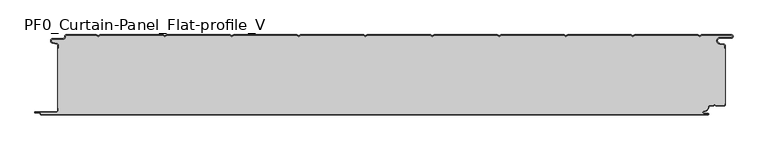
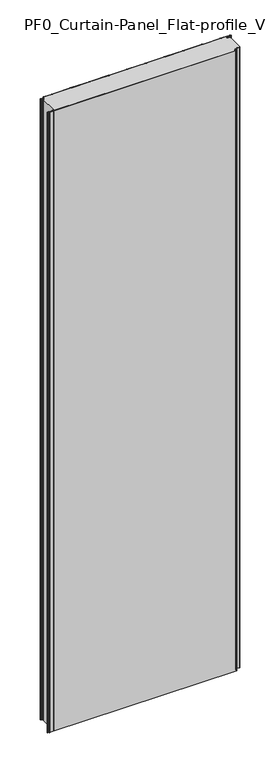
"""IFC4 building model written with IfcOpenShell, lengths in millimetres: plate geometry, PF0_Curtain-Panel_Flat-profile_V."""

from ifc_helpers import new_model, si_unit, point, frame, frame_2d, origin, origin_with_axes, place, context, project, spatial, polyline, circle_curve, trimmed, segment, composite_curve, outline, extrude, source, transform, mapped, element, save
from ifc_brep_helpers import plane_surface, cylinder_surface, revolved_surface, advanced_brep


def pf0_curtain_panel_flat_profile_v_841e0c7b(model_context):
    return source(origin(), model_context, "Body", "SolidModel", [
        advanced_brep(
        [(-500.0, -15.878557, 3500.0), (-500.0, -20.0, 3500.0), (-499.2, -20.0, 3500.0), (-499.2, -15.878557, 3500.0), (-501.370137, -13.1503208, 3500.0), (-507.529863, -11.728236, 3500.0), (-506.9, -6.2, 3500.0), (-491.4, -6.2, 3500.0), (-488.6, -3.4, 3500.0), (-488.6, -2.0, 3500.0), (-487.4, -0.8, 3500.0), (-442.3143588, -0.8, 3500.0), (-439.4, -2.482606, 3500.0), (-436.4856412, -0.8, 3500.0), (-342.3143588, -0.8, 3500.0), (-339.4, -2.482606, 3500.0), (-336.4856412, -0.8, 3500.0), (-242.3143588, -0.8, 3500.0), (-239.4, -2.482606, 3500.0), (-236.4856412, -0.8, 3500.0), (-142.3143588, -0.8, 3500.0), (-139.4, -2.482606, 3500.0), (-136.4856412, -0.8, 3500.0), (-42.3143588, -0.8, 3500.0), (-39.4, -2.482606, 3500.0), (-36.4856412, -0.8, 3500.0), (57.6856412, -0.8, 3500.0), (60.6, -2.482606, 3500.0), (63.5143588, -0.8, 3500.0), (157.6856412, -0.8, 3500.0), (160.6, -2.482606, 3500.0), (163.5143588, -0.8, 3500.0), (257.6856412, -0.8, 3500.0), (260.6, -2.482606, 3500.0), (263.5143588, -0.8, 3500.0), (357.6856412, -0.8, 3500.0), (360.6, -2.482606, 3500.0), (363.5143588, -0.8, 3500.0), (457.6856412, -0.8, 3500.0), (460.6, -2.482606, 3500.0), (463.5143588, -0.8, 3500.0), (508.1, -0.8, 3500.0), (508.1, -4.2, 3500.0), (491.1, -4.2, 3500.0), (490.2664884, -13.7270771, 3500.0), (496.7125669, -14.8636953, 3500.0), (498.2, -16.6363492, 3500.0), (498.2, -20.0, 3500.0), (499.0, -20.0, 3500.0), (499.0, -16.6363492, 3500.0), (496.8514855, -14.0758491, 3500.0), (490.405407, -12.939231, 3500.0), (491.1, -5.0, 3500.0), (508.1, -5.0, 3500.0), (510.6, -2.5, 3500.0), (508.1, 0.0, 3500.0), (463.2999995, 0.0, 3500.0), (460.6, -1.5588455, 3500.0), (457.9000005, 0.0, 3500.0), (363.2999995, 0.0, 3500.0), (360.6, -1.5588455, 3500.0), (357.9000005, 0.0, 3500.0), (263.2999995, 0.0, 3500.0), (260.6, -1.5588455, 3500.0), (257.9000005, 0.0, 3500.0), (163.2999995, 0.0, 3500.0), (160.6, -1.5588455, 3500.0), (157.9000005, 0.0, 3500.0), (63.2999995, 0.0, 3500.0), (60.6, -1.5588455, 3500.0), (57.9000005, 0.0, 3500.0), (-36.7000005, 0.0, 3500.0), (-39.4, -1.5588455, 3500.0), (-42.0999995, 0.0, 3500.0), (-136.7000005, 0.0, 3500.0), (-139.4, -1.5588455, 3500.0), (-142.0999995, 0.0, 3500.0), (-236.7000005, 0.0, 3500.0), (-239.4, -1.5588455, 3500.0), (-242.0999995, 0.0, 3500.0), (-336.7000005, 0.0, 3500.0), (-339.4, -1.5588455, 3500.0), (-342.0999995, 0.0, 3500.0), (-436.7000005, 0.0, 3500.0), (-439.4, -1.5588455, 3500.0), (-442.0999995, 0.0, 3500.0), (-487.4, 0.0, 3500.0), (-489.4, -2.0, 3500.0), (-489.4, -3.4, 3500.0), (-491.4, -5.4, 3500.0), (-506.9, -5.4, 3500.0), (-507.7098239, -12.5077322, 3500.0), (-501.5500979, -13.929817, 3500.0), (-500.0, -15.878557, 0.0), (-501.5500978, -13.9298169, 0.0), (-507.7098239, -12.507732, 0.0), (-506.9, -5.4, 0.0), (-491.4, -5.4, 0.0), (-489.4, -3.4, 0.0), (-489.4, -2.0, 0.0), (-487.4, 0.0, 0.0), (-442.0999995, 0.0, 0.0), (-439.4, -1.5588455, 0.0), (-436.7000005, 0.0, 0.0), (-342.0999995, 0.0, 0.0), (-339.4, -1.5588455, 0.0), (-336.7000005, 0.0, 0.0), (-242.0999995, 0.0, 0.0), (-239.4, -1.5588455, 0.0), (-236.7000005, 0.0, 0.0), (-142.0999995, 0.0, 0.0), (-139.4, -1.5588455, 0.0), (-136.7000005, 0.0, 0.0), (-42.0999995, 0.0, 0.0), (-39.4, -1.5588455, 0.0), (-36.7000005, 0.0, 0.0), (57.9000005, 0.0, 0.0), (60.6, -1.5588455, 0.0), (63.2999995, 0.0, 0.0), (157.9000005, 0.0, 0.0), (160.6, -1.5588455, 0.0), (163.2999995, 0.0, 0.0), (257.9000005, 0.0, 0.0), (260.6, -1.5588455, 0.0), (263.2999995, 0.0, 0.0), (357.9000005, 0.0, 0.0), (360.6, -1.5588455, 0.0), (363.2999995, 0.0, 0.0), (457.9000005, 0.0, 0.0), (460.6, -1.5588455, 0.0), (463.2999995, 0.0, 0.0), (508.1, 0.0, 0.0), (510.6, -2.5, 0.0), (508.1, -5.0, 0.0), (491.1, -5.0, 0.0), (490.405407, -12.939231, 0.0), (496.8514855, -14.0758491, 0.0), (499.0, -16.6363492, 0.0), (499.0, -20.0, 0.0), (498.2, -20.0, 0.0), (498.2, -16.6363492, 0.0), (496.7125669, -14.8636953, 0.0), (490.2664884, -13.7270772, 0.0), (491.1, -4.2, 0.0), (508.1, -4.2, 0.0), (508.1, -0.8, 0.0), (463.5143588, -0.8, 0.0), (460.6, -2.482606, 0.0), (457.6856412, -0.8, 0.0), (363.5143588, -0.8, 0.0), (360.6, -2.482606, 0.0), (357.6856412, -0.8, 0.0), (263.5143588, -0.8, 0.0), (260.6, -2.482606, 0.0), (257.6856412, -0.8, 0.0), (163.5143588, -0.8, 0.0), (160.6, -2.482606, 0.0), (157.6856412, -0.8, 0.0), (63.5143588, -0.8, 0.0), (60.6, -2.482606, 0.0), (57.6856412, -0.8, 0.0), (-36.4856412, -0.8, 0.0), (-39.4, -2.482606, 0.0), (-42.3143588, -0.8, 0.0), (-136.4856412, -0.8, 0.0), (-139.4, -2.482606, 0.0), (-142.3143588, -0.8, 0.0), (-236.4856412, -0.8, 0.0), (-239.4, -2.482606, 0.0), (-242.3143588, -0.8, 0.0), (-336.4856412, -0.8, 0.0), (-339.4, -2.482606, 0.0), (-342.3143588, -0.8, 0.0), (-436.4856412, -0.8, 0.0), (-439.4, -2.482606, 0.0), (-442.3143588, -0.8, 0.0), (-487.4, -0.8, 0.0), (-488.6, -2.0, 0.0), (-488.6, -3.4, 0.0), (-491.4, -6.2, 0.0), (-506.9, -6.2, 0.0), (-507.529863, -11.7282362, 0.0), (-501.370137, -13.150321, 0.0), (-499.2, -15.878557, 0.0), (-499.2, -20.0, 0.0), (-500.0, -20.0, 0.0)],
        [
            (0, 1),
            (1, 2),
            (2, 3),
            (3, 4, circle_curve(frame((-502.0, -15.878557, 3500.0), z_axis=(0.0, 0.0, 1.0), x_axis=(1.0, 0.0, 0.0)), 2.8)),
            (4, 5),
            (5, 6, circle_curve(frame((-506.9, -9.0, 3500.0), z_axis=(0.0, 0.0, -1.0), x_axis=(1.0, 0.0, 0.0)), 2.8)),
            (6, 7),
            (7, 8, circle_curve(frame((-491.4, -3.4, 3500.0), z_axis=(0.0, 0.0, 1.0), x_axis=(1.0, 0.0, 0.0)), 2.8)),
            (8, 9),
            (9, 10, circle_curve(frame((-487.4, -2.0, 3500.0), z_axis=(0.0, 0.0, -1.0), x_axis=(1.0, 0.0, 0.0)), 1.2)),
            (10, 11),
            (11, 12),
            (12, 13),
            (13, 14),
            (14, 15),
            (15, 16),
            (16, 17),
            (17, 18),
            (18, 19),
            (19, 20),
            (20, 21),
            (21, 22),
            (22, 23),
            (23, 24),
            (24, 25),
            (25, 26),
            (26, 27),
            (27, 28),
            (28, 29),
            (29, 30),
            (30, 31),
            (31, 32),
            (32, 33),
            (33, 34),
            (34, 35),
            (35, 36),
            (36, 37),
            (37, 38),
            (38, 39),
            (39, 40),
            (40, 41),
            (41, 42, circle_curve(frame((508.1, -2.5, 3500.0), z_axis=(0.0, 0.0, -1.0), x_axis=(1.0, 0.0, 0.0)), 1.7)),
            (42, 43),
            (43, 44, circle_curve(frame((491.1, -9.0, 3500.0), z_axis=(0.0, 0.0, 1.0), x_axis=(1.0, 0.0, 0.0)), 4.8)),
            (44, 45),
            (45, 46, circle_curve(frame((496.4, -16.6363492, 3500.0), z_axis=(0.0, 0.0, -1.0), x_axis=(1.0, 0.0, 0.0)), 1.8)),
            (46, 47),
            (47, 48),
            (48, 49),
            (49, 50, circle_curve(frame((496.4, -16.6363492, 3500.0), z_axis=(0.0, 0.0, 1.0), x_axis=(1.0, 0.0, 0.0)), 2.6)),
            (50, 51),
            (51, 52, circle_curve(frame((491.1, -9.0, 3500.0), z_axis=(0.0, 0.0, -1.0), x_axis=(1.0, 0.0, 0.0)), 4.0)),
            (52, 53),
            (53, 54, circle_curve(frame((508.1, -2.5, 3500.0), z_axis=(0.0, 0.0, 1.0), x_axis=(1.0, 0.0, 0.0)), 2.5)),
            (54, 55, circle_curve(frame((508.1, -2.5, 3500.0), z_axis=(0.0, 0.0, 1.0), x_axis=(1.0, 0.0, 0.0)), 2.5)),
            (55, 56),
            (56, 57),
            (57, 58),
            (58, 59),
            (59, 60),
            (60, 61),
            (61, 62),
            (62, 63),
            (63, 64),
            (64, 65),
            (65, 66),
            (66, 67),
            (67, 68),
            (68, 69),
            (69, 70),
            (70, 71),
            (71, 72),
            (72, 73),
            (73, 74),
            (74, 75),
            (75, 76),
            (76, 77),
            (77, 78),
            (78, 79),
            (79, 80),
            (80, 81),
            (81, 82),
            (82, 83),
            (83, 84),
            (84, 85),
            (85, 86),
            (86, 87, circle_curve(frame((-487.4, -2.0, 3500.0), z_axis=(0.0, 0.0, 1.0), x_axis=(1.0, 0.0, 0.0)), 2.0)),
            (87, 88),
            (88, 89, circle_curve(frame((-491.4, -3.4, 3500.0), z_axis=(0.0, 0.0, -1.0), x_axis=(1.0, 0.0, 0.0)), 2.0)),
            (89, 90),
            (90, 91, circle_curve(frame((-506.9, -9.0, 3500.0), z_axis=(0.0, 0.0, 1.0), x_axis=(1.0, 0.0, 0.0)), 3.6)),
            (91, 92),
            (92, 0, circle_curve(frame((-502.0, -15.878557, 3500.0), z_axis=(0.0, 0.0, -1.0), x_axis=(1.0, 0.0, 0.0)), 2.0)),
            (93, 94, circle_curve(frame((-502.0, -15.878557, 0.0), z_axis=(0.0, 0.0, 1.0), x_axis=(1.0, 0.0, 0.0)), 2.0)),
            (94, 95),
            (95, 96, circle_curve(frame((-506.9, -9.0, 0.0), z_axis=(0.0, 0.0, -1.0), x_axis=(1.0, 0.0, 0.0)), 3.6)),
            (96, 97),
            (97, 98, circle_curve(frame((-491.4, -3.4, 0.0), z_axis=(0.0, 0.0, 1.0), x_axis=(1.0, 0.0, 0.0)), 2.0)),
            (98, 99),
            (99, 100, circle_curve(frame((-487.4, -2.0, 0.0), z_axis=(0.0, 0.0, -1.0), x_axis=(1.0, 0.0, 0.0)), 2.0)),
            (100, 101),
            (101, 102),
            (102, 103),
            (103, 104),
            (104, 105),
            (105, 106),
            (106, 107),
            (107, 108),
            (108, 109),
            (109, 110),
            (110, 111),
            (111, 112),
            (112, 113),
            (113, 114),
            (114, 115),
            (115, 116),
            (116, 117),
            (117, 118),
            (118, 119),
            (119, 120),
            (120, 121),
            (121, 122),
            (122, 123),
            (123, 124),
            (124, 125),
            (125, 126),
            (126, 127),
            (127, 128),
            (128, 129),
            (129, 130),
            (130, 131),
            (131, 132, circle_curve(frame((508.1, -2.5, 0.0), z_axis=(0.0, 0.0, -1.0), x_axis=(1.0, 0.0, 0.0)), 2.5)),
            (132, 133, circle_curve(frame((508.1, -2.5, 0.0), z_axis=(0.0, 0.0, -1.0), x_axis=(1.0, 0.0, 0.0)), 2.5)),
            (133, 134),
            (134, 135, circle_curve(frame((491.1, -9.0, 0.0), z_axis=(0.0, 0.0, 1.0), x_axis=(1.0, 0.0, 0.0)), 4.0)),
            (135, 136),
            (136, 137, circle_curve(frame((496.4, -16.6363492, 0.0), z_axis=(0.0, 0.0, -1.0), x_axis=(1.0, 0.0, 0.0)), 2.6)),
            (137, 138),
            (138, 139),
            (139, 140),
            (140, 141, circle_curve(frame((496.4, -16.6363492, 0.0), z_axis=(0.0, 0.0, 1.0), x_axis=(1.0, 0.0, 0.0)), 1.8)),
            (141, 142),
            (142, 143, circle_curve(frame((491.1, -9.0, 0.0), z_axis=(0.0, 0.0, -1.0), x_axis=(1.0, 0.0, 0.0)), 4.8)),
            (143, 144),
            (144, 145, circle_curve(frame((508.1, -2.5, 0.0), z_axis=(0.0, 0.0, 1.0), x_axis=(1.0, 0.0, 0.0)), 1.7)),
            (145, 146),
            (146, 147),
            (147, 148),
            (148, 149),
            (149, 150),
            (150, 151),
            (151, 152),
            (152, 153),
            (153, 154),
            (154, 155),
            (155, 156),
            (156, 157),
            (157, 158),
            (158, 159),
            (159, 160),
            (160, 161),
            (161, 162),
            (162, 163),
            (163, 164),
            (164, 165),
            (165, 166),
            (166, 167),
            (167, 168),
            (168, 169),
            (169, 170),
            (170, 171),
            (171, 172),
            (172, 173),
            (173, 174),
            (174, 175),
            (175, 176),
            (176, 177, circle_curve(frame((-487.4, -2.0, 0.0), z_axis=(0.0, 0.0, 1.0), x_axis=(1.0, 0.0, 0.0)), 1.2)),
            (177, 178),
            (178, 179, circle_curve(frame((-491.4, -3.4, 0.0), z_axis=(0.0, 0.0, -1.0), x_axis=(1.0, 0.0, 0.0)), 2.8)),
            (179, 180),
            (180, 181, circle_curve(frame((-506.9, -9.0, 0.0), z_axis=(0.0, 0.0, 1.0), x_axis=(1.0, 0.0, 0.0)), 2.8)),
            (181, 182),
            (182, 183, circle_curve(frame((-502.0, -15.878557, 0.0), z_axis=(0.0, 0.0, -1.0), x_axis=(1.0, 0.0, 0.0)), 2.8)),
            (183, 184),
            (184, 185),
            (185, 93),
            (0, 93),
            (185, 1),
            (184, 2),
            (183, 3),
            (182, 4),
            (181, 5),
            (180, 6),
            (179, 7),
            (178, 8),
            (177, 9),
            (176, 10),
            (175, 11),
            (174, 12),
            (173, 13),
            (172, 14),
            (171, 15),
            (170, 16),
            (169, 17),
            (168, 18),
            (167, 19),
            (166, 20),
            (165, 21),
            (164, 22),
            (163, 23),
            (162, 24),
            (161, 25),
            (160, 26),
            (159, 27),
            (158, 28),
            (157, 29),
            (156, 30),
            (155, 31),
            (154, 32),
            (153, 33),
            (152, 34),
            (151, 35),
            (150, 36),
            (149, 37),
            (148, 38),
            (147, 39),
            (146, 40),
            (145, 41),
            (144, 42),
            (143, 43),
            (142, 44),
            (141, 45),
            (140, 46),
            (139, 47),
            (138, 48),
            (137, 49),
            (136, 50),
            (135, 51),
            (134, 52),
            (133, 53),
            (131, 55),
            (56, 130),
            (129, 57),
            (128, 58),
            (127, 59),
            (126, 60),
            (125, 61),
            (124, 62),
            (123, 63),
            (122, 64),
            (121, 65),
            (120, 66),
            (119, 67),
            (118, 68),
            (117, 69),
            (116, 70),
            (115, 71),
            (114, 72),
            (113, 73),
            (112, 74),
            (111, 75),
            (110, 76),
            (109, 77),
            (108, 78),
            (107, 79),
            (106, 80),
            (105, 81),
            (104, 82),
            (103, 83),
            (102, 84),
            (101, 85),
            (100, 86),
            (99, 87),
            (98, 88),
            (97, 89),
            (96, 90),
            (95, 91),
            (94, 92),
        ],
        [
            plane_surface(frame((-500.0, 0.0, 3500.0), z_axis=(0.0, 0.0, 1.0), x_axis=(0.0, 1.0, 0.0))),
            plane_surface(frame((-500.0, 0.0, 0.0), z_axis=(0.0, 0.0, -1.0), x_axis=(0.0, 1.0, 0.0))),
            plane_surface(frame((-500.0, -15.878557, 3500.0), z_axis=(-1.0, 0.0, 0.0), x_axis=(0.0, 0.0, -1.0))),
            plane_surface(frame((-500.0, -20.0, 3500.0), z_axis=(0.0, -1.0, 0.0), x_axis=(0.0, 0.0, -1.0))),
            plane_surface(frame((-499.2, -20.0, 3500.0), z_axis=(1.0, 0.0, 0.0), x_axis=(0.0, 0.0, -1.0))),
            cylinder_surface(frame((-502.0, -15.878557, 3500.0), z_axis=(0.0, 0.0, 1.0), x_axis=(1.0, 0.0, 0.0)), 2.8),
            plane_surface(frame((-501.370137, -13.150321, 3500.0), z_axis=(0.22495108446242484, 0.9743700578318174, 0.0), x_axis=(0.0, 0.0, -1.0))),
            revolved_surface(polyline([(-504.09999999999997, -9.0, 0.0), (-504.09999999999997, -9.0, 3500.0)]), (-506.9, -9.0, 3500.0), (0.0, 0.0, -1.0)),
            plane_surface(frame((-506.9, -6.2, 3500.0), z_axis=(0.0, -1.0, 0.0), x_axis=(0.0, 0.0, -1.0))),
            cylinder_surface(frame((-491.4, -3.4, 3500.0), z_axis=(0.0, 0.0, 1.0), x_axis=(1.0, 0.0, 0.0)), 2.8),
            plane_surface(frame((-488.6, -3.4, 3500.0), z_axis=(1.0, 0.0, 0.0), x_axis=(0.0, 0.0, -1.0))),
            revolved_surface(polyline([(-486.2, -2.0, 0.0), (-486.2, -2.0, 3500.0)]), (-487.4, -2.0, 3500.0), (0.0, 0.0, -1.0)),
            plane_surface(frame((-487.4, -0.8, 3500.0), z_axis=(0.0, -1.0, 0.0), x_axis=(0.0, 0.0, -1.0))),
            plane_surface(frame((-442.3143588, -0.8, 3500.0), z_axis=(-0.5000000299313342, -0.8660253865035741, 0.0), x_axis=(0.0, 0.0, -1.0))),
            plane_surface(frame((-439.4, -2.482606, 3500.0), z_axis=(0.5000000299313233, -0.8660253865035805, 0.0), x_axis=(0.0, 0.0, -1.0))),
            plane_surface(frame((-436.4856412, -0.8, 3500.0), z_axis=(0.0, -1.0, 0.0), x_axis=(0.0, 0.0, -1.0))),
            plane_surface(frame((-342.3143588, -0.8, 3500.0), z_axis=(-0.5000000299313346, -0.8660253865035739, 0.0), x_axis=(0.0, 0.0, -1.0))),
            plane_surface(frame((-339.4, -2.482606, 3500.0), z_axis=(0.5000000299313251, -0.8660253865035794, 0.0), x_axis=(0.0, 0.0, -1.0))),
            plane_surface(frame((-336.4856412, -0.8, 3500.0), z_axis=(0.0, -1.0, 0.0), x_axis=(0.0, 0.0, -1.0))),
            plane_surface(frame((-242.3143588, -0.8, 3500.0), z_axis=(-0.5000000299313346, -0.866025386503574, 0.0), x_axis=(0.0, 0.0, -1.0))),
            plane_surface(frame((-239.4, -2.482606, 3500.0), z_axis=(0.5000000299313251, -0.8660253865035794, 0.0), x_axis=(0.0, 0.0, -1.0))),
            plane_surface(frame((-236.4856412, -0.8, 3500.0), z_axis=(0.0, -1.0, 0.0), x_axis=(0.0, 0.0, -1.0))),
            plane_surface(frame((-142.3143588, -0.8, 3500.0), z_axis=(-0.5000000299313349, -0.8660253865035739, 0.0), x_axis=(0.0, 0.0, -1.0))),
            plane_surface(frame((-139.4, -2.482606, 3500.0), z_axis=(0.5000000299313233, -0.8660253865035805, 0.0), x_axis=(0.0, 0.0, -1.0))),
            plane_surface(frame((-136.4856412, -0.8, 3500.0), z_axis=(0.0, -1.0, 0.0), x_axis=(0.0, 0.0, -1.0))),
            plane_surface(frame((-42.3143588, -0.8, 3500.0), z_axis=(-0.5000000299313346, -0.866025386503574, 0.0), x_axis=(0.0, 0.0, -1.0))),
            plane_surface(frame((-39.4, -2.482606, 3500.0), z_axis=(0.5000000299313239, -0.8660253865035802, 0.0), x_axis=(0.0, 0.0, -1.0))),
            plane_surface(frame((-36.4856412, -0.8, 3500.0), z_axis=(0.0, -1.0, 0.0), x_axis=(0.0, 0.0, -1.0))),
            plane_surface(frame((57.6856412, -0.8, 3500.0), z_axis=(-0.5000000299313347, -0.8660253865035739, 0.0), x_axis=(0.0, 0.0, -1.0))),
            plane_surface(frame((60.6, -2.482606, 3500.0), z_axis=(0.5000000299313232, -0.8660253865035805, 0.0), x_axis=(0.0, 0.0, -1.0))),
            plane_surface(frame((63.5143588, -0.8, 3500.0), z_axis=(0.0, -1.0, 0.0), x_axis=(0.0, 0.0, -1.0))),
            plane_surface(frame((157.6856412, -0.8, 3500.0), z_axis=(-0.5000000299313346, -0.866025386503574, 0.0), x_axis=(0.0, 0.0, -1.0))),
            plane_surface(frame((160.6, -2.482606, 3500.0), z_axis=(0.5000000299313262, -0.8660253865035787, 0.0), x_axis=(0.0, 0.0, -1.0))),
            plane_surface(frame((163.5143588, -0.8, 3500.0), z_axis=(0.0, -1.0, 0.0), x_axis=(0.0, 0.0, -1.0))),
            plane_surface(frame((257.6856412, -0.8, 3500.0), z_axis=(-0.5000000299313346, -0.8660253865035739, 0.0), x_axis=(0.0, 0.0, -1.0))),
            plane_surface(frame((260.6, -2.482606, 3500.0), z_axis=(0.5000000299313263, -0.8660253865035787, 0.0), x_axis=(0.0, 0.0, -1.0))),
            plane_surface(frame((263.5143588, -0.8, 3500.0), z_axis=(0.0, -1.0, 0.0), x_axis=(0.0, 0.0, -1.0))),
            plane_surface(frame((357.6856412, -0.8, 3500.0), z_axis=(-0.5000000299313346, -0.8660253865035739, 0.0), x_axis=(0.0, 0.0, -1.0))),
            plane_surface(frame((360.6, -2.482606, 3500.0), z_axis=(0.5000000299313255, -0.8660253865035792, 0.0), x_axis=(0.0, 0.0, -1.0))),
            plane_surface(frame((363.5143588, -0.8, 3500.0), z_axis=(0.0, -1.0, 0.0), x_axis=(0.0, 0.0, -1.0))),
            plane_surface(frame((457.6856412, -0.8, 3500.0), z_axis=(-0.5000000299313347, -0.8660253865035739, 0.0), x_axis=(0.0, 0.0, -1.0))),
            plane_surface(frame((460.6, -2.482606, 3500.0), z_axis=(0.5000000299313263, -0.8660253865035787, 0.0), x_axis=(0.0, 0.0, -1.0))),
            plane_surface(frame((463.5143588, -0.8, 3500.0), z_axis=(0.0, -1.0, 0.0), x_axis=(0.0, 0.0, -1.0))),
            revolved_surface(polyline([(509.8, -2.5, 0.0), (509.8, -2.5, 3500.0)]), (508.1, -2.5, 3500.0), (0.0, 0.0, -1.0)),
            plane_surface(frame((508.1, -4.2, 3500.0), z_axis=(0.0, 1.0, 0.0), x_axis=(0.0, 0.0, -1.0))),
            cylinder_surface(frame((491.1, -9.0, 3500.0), z_axis=(0.0, 0.0, 1.0), x_axis=(1.0, 0.0, 0.0)), 4.8),
            plane_surface(frame((490.2664884, -13.7270772, 3500.0), z_axis=(-0.17364825602592485, -0.9848077391954, 0.0), x_axis=(0.0, 0.0, -1.0))),
            revolved_surface(polyline([(498.2, -16.6363492, 0.0), (498.2, -16.6363492, 3500.0)]), (496.4, -16.6363492, 3500.0), (0.0, 0.0, -1.0)),
            plane_surface(frame((498.2, -16.6363492, 3500.0), z_axis=(-1.0, 0.0, 0.0), x_axis=(0.0, 0.0, -1.0))),
            plane_surface(frame((498.2, -20.0, 3500.0), z_axis=(0.0, -1.0, 0.0), x_axis=(0.0, 0.0, -1.0))),
            plane_surface(frame((499.0, -20.0, 3500.0), z_axis=(1.0, 0.0, 0.0), x_axis=(0.0, 0.0, -1.0))),
            cylinder_surface(frame((496.4, -16.6363492, 3500.0), z_axis=(0.0, 0.0, 1.0), x_axis=(1.0, 0.0, 0.0)), 2.6),
            plane_surface(frame((496.8514855, -14.0758491, 3500.0), z_axis=(0.1736482560259256, 0.9848077391953998, 0.0), x_axis=(0.0, 0.0, -1.0))),
            revolved_surface(polyline([(495.1, -9.0, 0.0), (495.1, -9.0, 3500.0)]), (491.1, -9.0, 3500.0), (0.0, 0.0, -1.0)),
            plane_surface(frame((491.1, -5.0, 3500.0), z_axis=(0.0, -1.0, 0.0), x_axis=(0.0, 0.0, -1.0))),
            cylinder_surface(frame((508.1, -2.5, 3500.0), z_axis=(0.0, 0.0, 1.0), x_axis=(1.0, 0.0, 0.0)), 2.5),
            plane_surface(frame((463.2999995, 0.0, 3500.0), z_axis=(-0.5000000299313235, 0.8660253865035803, 0.0), x_axis=(0.0, 0.0, -1.0))),
            plane_surface(frame((460.6, -1.5588455, 3500.0), z_axis=(0.5000000299313346, 0.8660253865035739, 0.0), x_axis=(0.0, 0.0, -1.0))),
            plane_surface(frame((457.9000005, 0.0, 3500.0), z_axis=(0.0, 1.0, 0.0), x_axis=(0.0, 0.0, -1.0))),
            plane_surface(frame((363.2999995, 0.0, 3500.0), z_axis=(-0.5000000299313235, 0.8660253865035803, 0.0), x_axis=(0.0, 0.0, -1.0))),
            plane_surface(frame((360.6, -1.5588455, 3500.0), z_axis=(0.5000000299313346, 0.8660253865035739, 0.0), x_axis=(0.0, 0.0, -1.0))),
            plane_surface(frame((357.9000005, 0.0, 3500.0), z_axis=(0.0, 1.0, 0.0), x_axis=(0.0, 0.0, -1.0))),
            plane_surface(frame((263.2999995, 0.0, 3500.0), z_axis=(-0.5000000299313235, 0.8660253865035803, 0.0), x_axis=(0.0, 0.0, -1.0))),
            plane_surface(frame((260.6, -1.5588455, 3500.0), z_axis=(0.5000000299313346, 0.8660253865035739, 0.0), x_axis=(0.0, 0.0, -1.0))),
            plane_surface(frame((257.9000005, 0.0, 3500.0), z_axis=(0.0, 1.0, 0.0), x_axis=(0.0, 0.0, -1.0))),
            plane_surface(frame((163.2999995, 0.0, 3500.0), z_axis=(-0.5000000299313235, 0.8660253865035803, 0.0), x_axis=(0.0, 0.0, -1.0))),
            plane_surface(frame((160.6, -1.5588455, 3500.0), z_axis=(0.5000000299313346, 0.8660253865035739, 0.0), x_axis=(0.0, 0.0, -1.0))),
            plane_surface(frame((157.9000005, 0.0, 3500.0), z_axis=(0.0, 1.0, 0.0), x_axis=(0.0, 0.0, -1.0))),
            plane_surface(frame((63.2999995, 0.0, 3500.0), z_axis=(-0.5000000299313235, 0.8660253865035803, 0.0), x_axis=(0.0, 0.0, -1.0))),
            plane_surface(frame((60.6, -1.5588455, 3500.0), z_axis=(0.5000000299313346, 0.8660253865035739, 0.0), x_axis=(0.0, 0.0, -1.0))),
            plane_surface(frame((57.9000005, 0.0, 3500.0), z_axis=(0.0, 1.0, 0.0), x_axis=(0.0, 0.0, -1.0))),
            plane_surface(frame((-36.7000005, 0.0, 3500.0), z_axis=(-0.5000000299313235, 0.8660253865035803, 0.0), x_axis=(0.0, 0.0, -1.0))),
            plane_surface(frame((-39.4, -1.5588455, 3500.0), z_axis=(0.5000000299313346, 0.8660253865035739, 0.0), x_axis=(0.0, 0.0, -1.0))),
            plane_surface(frame((-42.0999995, 0.0, 3500.0), z_axis=(0.0, 1.0, 0.0), x_axis=(0.0, 0.0, -1.0))),
            plane_surface(frame((-136.7000005, 0.0, 3500.0), z_axis=(-0.5000000299313235, 0.8660253865035803, 0.0), x_axis=(0.0, 0.0, -1.0))),
            plane_surface(frame((-139.4, -1.5588455, 3500.0), z_axis=(0.5000000299313346, 0.8660253865035739, 0.0), x_axis=(0.0, 0.0, -1.0))),
            plane_surface(frame((-142.0999995, 0.0, 3500.0), z_axis=(0.0, 1.0, 0.0), x_axis=(0.0, 0.0, -1.0))),
            plane_surface(frame((-236.7000005, 0.0, 3500.0), z_axis=(-0.5000000299313235, 0.8660253865035803, 0.0), x_axis=(0.0, 0.0, -1.0))),
            plane_surface(frame((-239.4, -1.5588455, 3500.0), z_axis=(0.5000000299313346, 0.8660253865035739, 0.0), x_axis=(0.0, 0.0, -1.0))),
            plane_surface(frame((-242.0999995, 0.0, 3500.0), z_axis=(0.0, 1.0, 0.0), x_axis=(0.0, 0.0, -1.0))),
            plane_surface(frame((-336.7000005, 0.0, 3500.0), z_axis=(-0.5000000299313235, 0.8660253865035803, 0.0), x_axis=(0.0, 0.0, -1.0))),
            plane_surface(frame((-339.4, -1.5588455, 3500.0), z_axis=(0.5000000299313346, 0.8660253865035739, 0.0), x_axis=(0.0, 0.0, -1.0))),
            plane_surface(frame((-342.0999995, 0.0, 3500.0), z_axis=(0.0, 1.0, 0.0), x_axis=(0.0, 0.0, -1.0))),
            plane_surface(frame((-436.7000005, 0.0, 3500.0), z_axis=(-0.5000000299313235, 0.8660253865035803, 0.0), x_axis=(0.0, 0.0, -1.0))),
            plane_surface(frame((-439.4, -1.5588455, 3500.0), z_axis=(0.5000000299313346, 0.8660253865035739, 0.0), x_axis=(0.0, 0.0, -1.0))),
            plane_surface(frame((-442.0999995, 0.0, 3500.0), z_axis=(0.0, 1.0, 0.0), x_axis=(0.0, 0.0, -1.0))),
            cylinder_surface(frame((-487.4, -2.0, 3500.0), z_axis=(0.0, 0.0, 1.0), x_axis=(1.0, 0.0, 0.0)), 2.0),
            plane_surface(frame((-489.4, -2.0, 3500.0), z_axis=(-1.0, 0.0, 0.0), x_axis=(0.0, 0.0, -1.0))),
            revolved_surface(polyline([(-489.4, -3.4, 0.0), (-489.4, -3.4, 3500.0)]), (-491.4, -3.4, 3500.0), (0.0, 0.0, -1.0)),
            plane_surface(frame((-491.4, -5.4, 3500.0), z_axis=(0.0, 1.0, 0.0), x_axis=(0.0, 0.0, -1.0))),
            cylinder_surface(frame((-506.9, -9.0, 3500.0), z_axis=(0.0, 0.0, 1.0), x_axis=(1.0, 0.0, 0.0)), 3.6),
            plane_surface(frame((-507.7098239, -12.507732, 3500.0), z_axis=(-0.22495108446242487, -0.9743700578318174, 0.0), x_axis=(0.0, 0.0, -1.0))),
            revolved_surface(polyline([(-500.0, -15.878557, 0.0), (-500.0, -15.878557, 3500.0)]), (-502.0, -15.878557, 3500.0), (0.0, 0.0, -1.0)),
            plane_surface(frame((508.1, 0.0, 3500.0), z_axis=(0.0, 1.0, 0.0), x_axis=(0.0, 0.0, -1.0))),
        ],
        [
            (0, [[1, 2, 3, 4, 5, 6, 7, 8, 9, 10, 11, 12, 13, 14, 15, 16, 17, 18, 19, 20, 21, 22, 23, 24, 25, 26, 27, 28, 29, 30, 31, 32, 33, 34, 35, 36, 37, 38, 39, 40, 41, 42, 43, 44, 45, 46, 47, 48, 49, 50, 51, 52, 53, 54, 55, 56, 57, 58, 59, 60, 61, 62, 63, 64, 65, 66, 67, 68, 69, 70, 71, 72, 73, 74, 75, 76, 77, 78, 79, 80, 81, 82, 83, 84, 85, 86, 87, 88, 89, 90, 91, 92, 93]]),
            (1, [[94, 95, 96, 97, 98, 99, 100, 101, 102, 103, 104, 105, 106, 107, 108, 109, 110, 111, 112, 113, 114, 115, 116, 117, 118, 119, 120, 121, 122, 123, 124, 125, 126, 127, 128, 129, 130, 131, 132, 133, 134, 135, 136, 137, 138, 139, 140, 141, 142, 143, 144, 145, 146, 147, 148, 149, 150, 151, 152, 153, 154, 155, 156, 157, 158, 159, 160, 161, 162, 163, 164, 165, 166, 167, 168, 169, 170, 171, 172, 173, 174, 175, 176, 177, 178, 179, 180, 181, 182, 183, 184, 185, 186]]),
            (2, [[-1, 187, -186, 188]]),
            (3, [[-2, -188, -185, 189]]),
            (4, [[-3, -189, -184, 190]]),
            (5, [[-4, -190, -183, 191]]),
            (6, [[-5, -191, -182, 192]]),
            (7, [[-6, -192, -181, 193]]),
            (8, [[-7, -193, -180, 194]]),
            (9, [[-8, -194, -179, 195]]),
            (10, [[-9, -195, -178, 196]]),
            (11, [[-10, -196, -177, 197]]),
            (12, [[-11, -197, -176, 198]]),
            (13, [[-12, -198, -175, 199]]),
            (14, [[-13, -199, -174, 200]]),
            (15, [[-14, -200, -173, 201]]),
            (16, [[-15, -201, -172, 202]]),
            (17, [[-16, -202, -171, 203]]),
            (18, [[-17, -203, -170, 204]]),
            (19, [[-18, -204, -169, 205]]),
            (20, [[-19, -205, -168, 206]]),
            (21, [[-20, -206, -167, 207]]),
            (22, [[-21, -207, -166, 208]]),
            (23, [[-22, -208, -165, 209]]),
            (24, [[-23, -209, -164, 210]]),
            (25, [[-24, -210, -163, 211]]),
            (26, [[-25, -211, -162, 212]]),
            (27, [[-26, -212, -161, 213]]),
            (28, [[-27, -213, -160, 214]]),
            (29, [[-28, -214, -159, 215]]),
            (30, [[-29, -215, -158, 216]]),
            (31, [[-30, -216, -157, 217]]),
            (32, [[-31, -217, -156, 218]]),
            (33, [[-32, -218, -155, 219]]),
            (34, [[-33, -219, -154, 220]]),
            (35, [[-34, -220, -153, 221]]),
            (36, [[-35, -221, -152, 222]]),
            (37, [[-36, -222, -151, 223]]),
            (38, [[-37, -223, -150, 224]]),
            (39, [[-38, -224, -149, 225]]),
            (40, [[-39, -225, -148, 226]]),
            (41, [[-40, -226, -147, 227]]),
            (42, [[-41, -227, -146, 228]]),
            (43, [[-42, -228, -145, 229]]),
            (44, [[-43, -229, -144, 230]]),
            (45, [[-44, -230, -143, 231]]),
            (46, [[-45, -231, -142, 232]]),
            (47, [[-46, -232, -141, 233]]),
            (48, [[-47, -233, -140, 234]]),
            (49, [[-48, -234, -139, 235]]),
            (50, [[-49, -235, -138, 236]]),
            (51, [[-50, -236, -137, 237]]),
            (52, [[-51, -237, -136, 238]]),
            (53, [[-52, -238, -135, 239]]),
            (54, [[-53, -239, -134, 240]]),
            (55, [[-240, -133, -132, 241, -55, -54]]),
            (56, [[-57, 242, -130, 243]]),
            (57, [[-58, -243, -129, 244]]),
            (58, [[-59, -244, -128, 245]]),
            (59, [[-60, -245, -127, 246]]),
            (60, [[-61, -246, -126, 247]]),
            (61, [[-62, -247, -125, 248]]),
            (62, [[-63, -248, -124, 249]]),
            (63, [[-64, -249, -123, 250]]),
            (64, [[-65, -250, -122, 251]]),
            (65, [[-66, -251, -121, 252]]),
            (66, [[-67, -252, -120, 253]]),
            (67, [[-68, -253, -119, 254]]),
            (68, [[-69, -254, -118, 255]]),
            (69, [[-70, -255, -117, 256]]),
            (70, [[-71, -256, -116, 257]]),
            (71, [[-72, -257, -115, 258]]),
            (72, [[-73, -258, -114, 259]]),
            (73, [[-74, -259, -113, 260]]),
            (74, [[-75, -260, -112, 261]]),
            (75, [[-76, -261, -111, 262]]),
            (76, [[-77, -262, -110, 263]]),
            (77, [[-78, -263, -109, 264]]),
            (78, [[-79, -264, -108, 265]]),
            (79, [[-80, -265, -107, 266]]),
            (80, [[-81, -266, -106, 267]]),
            (81, [[-82, -267, -105, 268]]),
            (82, [[-83, -268, -104, 269]]),
            (83, [[-84, -269, -103, 270]]),
            (84, [[-85, -270, -102, 271]]),
            (85, [[-86, -271, -101, 272]]),
            (86, [[-87, -272, -100, 273]]),
            (87, [[-88, -273, -99, 274]]),
            (88, [[-89, -274, -98, 275]]),
            (89, [[-90, -275, -97, 276]]),
            (90, [[-91, -276, -96, 277]]),
            (91, [[-92, -277, -95, 278]]),
            (92, [[-93, -278, -94, -187]]),
            (93, [[-56, -241, -131, -242]]),
        ],
    ),
        extrude(outline(composite_curve([segment(polyline([(-499.2, -110.0), (-500.0, -110.0), (-500.0, -20.0), (-499.2, -20.0), (-499.2, -15.878557)]), True, "CONTINUOUS"), segment(trimmed(circle_curve(frame_2d((-502.0, -15.878557)), 2.8), [point((-499.2, -15.878557))], [point((-501.370137, -13.1503208))], True, "CARTESIAN"), True, "CONTINUOUS"), segment(polyline([(-501.370137, -13.1503208), (-507.529863, -11.7282362)]), True, "CONTINUOUS"), segment(trimmed(circle_curve(frame_2d((-506.9, -9.0)), 2.8), [point((-507.529863, -11.7282362))], [point((-506.9, -6.2))], False, "CARTESIAN"), True, "CONTINUOUS"), segment(polyline([(-506.9, -6.2), (-491.4, -6.2)]), True, "CONTINUOUS"), segment(trimmed(circle_curve(frame_2d((-491.4, -3.4)), 2.8), [point((-491.4, -6.2))], [point((-488.6, -3.4))], True, "CARTESIAN"), True, "CONTINUOUS"), segment(polyline([(-488.6, -3.4), (-488.6, -2.0)]), True, "CONTINUOUS"), segment(trimmed(circle_curve(frame_2d((-487.4, -2.0)), 1.2), [point((-488.6, -2.0))], [point((-487.4, -0.8))], False, "CARTESIAN"), True, "CONTINUOUS"), segment(polyline([(-487.4, -0.8), (-442.3143588, -0.8), (-439.4, -2.482606), (-436.4856412, -0.8), (-342.3143588, -0.8), (-339.4, -2.482606), (-336.4856412, -0.8), (-242.3143588, -0.8), (-239.4, -2.482606), (-236.4856412, -0.8), (-142.3143588, -0.8), (-139.4, -2.482606), (-136.4856412, -0.8), (-42.3143588, -0.8), (-39.4, -2.482606), (-36.4856412, -0.8), (57.6856412, -0.8), (60.6, -2.482606), (63.5143588, -0.8), (157.6856412, -0.8), (160.6, -2.482606), (163.5143588, -0.8), (257.6856412, -0.8), (260.6, -2.482606), (263.5143588, -0.8), (357.6856412, -0.8), (360.6, -2.482606), (363.5143588, -0.8), (457.6856412, -0.8), (460.6, -2.482606), (463.5143588, -0.8), (508.1, -0.8)]), True, "CONTINUOUS"), segment(trimmed(circle_curve(frame_2d((508.1, -2.5)), 1.7), [point((508.1, -0.8))], [point((508.1, -4.2))], False, "CARTESIAN"), True, "CONTINUOUS"), segment(polyline([(508.1, -4.2), (491.1, -4.2)]), True, "CONTINUOUS"), segment(trimmed(circle_curve(frame_2d((491.1, -9.0)), 4.8), [point((491.1, -4.2))], [point((490.2664884, -13.7270772))], True, "CARTESIAN"), True, "CONTINUOUS"), segment(polyline([(490.2664884, -13.7270772), (496.7125669, -14.8636953)]), True, "CONTINUOUS"), segment(trimmed(circle_curve(frame_2d((496.4, -16.6363492)), 1.8), [point((496.7125669, -14.8636953))], [point((498.2, -16.6363492))], False, "CARTESIAN"), True, "CONTINUOUS"), segment(polyline([(498.2, -16.6363492), (498.2, -20.0), (499.0, -20.0), (499.0, -103.0), (498.2, -103.0), (498.2, -104.4)]), True, "CONTINUOUS"), segment(trimmed(circle_curve(frame_2d((496.4, -104.4)), 1.8), [point((498.2, -104.4))], [point((496.4, -106.2))], False, "CARTESIAN"), True, "CONTINUOUS"), segment(polyline([(496.4, -106.2), (484.8313698, -106.2), (483.0, -104.3686285), (481.1686302, -106.2), (475.0, -106.2)]), True, "CONTINUOUS"), segment(trimmed(circle_curve(frame_2d((475.0, -108.0)), 1.8), [point((475.0, -106.2))], [point((473.2, -108.0))], True, "CARTESIAN"), True, "CONTINUOUS"), segment(polyline([(473.2, -108.0), (473.2, -108.8276204)]), True, "CONTINUOUS"), segment(trimmed(circle_curve(frame_2d((467.8276204, -108.8276204)), 5.3723796), [point((473.2, -108.8276204))], [point((467.8276204, -114.2))], False, "CARTESIAN"), True, "CONTINUOUS"), segment(polyline([(467.8276204, -114.2), (467.0, -114.2)]), True, "CONTINUOUS"), segment(trimmed(circle_curve(frame_2d((467.0, -116.4)), 2.2), [point((467.0, -114.2))], [point((467.0, -118.6))], True, "CARTESIAN"), True, "CONTINUOUS"), segment(polyline([(467.0, -118.6), (472.8891513, -118.6)]), True, "CONTINUOUS"), segment(trimmed(circle_curve(frame_2d((472.8891513, -118.9)), 0.3), [point((472.8891513, -118.6))], [point((472.8891513, -119.2))], False, "CARTESIAN"), True, "CONTINUOUS"), segment(polyline([(472.8891513, -119.2), (-524.4, -119.2)]), True, "CONTINUOUS"), segment(trimmed(circle_curve(frame_2d((-524.4, -118.4)), 0.8), [point((-524.4, -119.2))], [point((-525.2, -118.4))], False, "CARTESIAN"), True, "CONTINUOUS"), segment(trimmed(circle_curve(frame_2d((-526.9, -118.6133333)), 1.7133333), [point((-525.2, -118.4))], [point((-526.9, -116.9))], True, "CARTESIAN"), True, "CONTINUOUS"), segment(polyline([(-526.9, -116.9), (-532.8700312, -116.9)]), True, "CONTINUOUS"), segment(trimmed(circle_curve(frame_2d((-532.8700312, -116.6)), 0.3), [point((-532.8700312, -116.9))], [point((-532.8700312, -116.3))], False, "CARTESIAN"), True, "CONTINUOUS"), segment(polyline([(-532.8700312, -116.3), (-502.0, -116.3)]), True, "CONTINUOUS"), segment(trimmed(circle_curve(frame_2d((-502.0, -113.5)), 2.8), [point((-502.0, -116.3))], [point((-499.2, -113.5))], True, "CARTESIAN"), True, "CONTINUOUS"), segment(polyline([(-499.2, -113.5), (-499.2, -110.0)]), True, "CONTINUOUS")], self_intersect=False)), origin_with_axes(), (0.0, 0.0, 1.0), 3500.0),
        extrude(outline(composite_curve([segment(polyline([(-500.0, -110.0), (-499.2, -110.0), (-499.2, -113.5)]), True, "CONTINUOUS"), segment(trimmed(circle_curve(frame_2d((-502.0, -113.5)), 2.8), [point((-499.2, -113.5))], [point((-502.0, -116.3))], False, "CARTESIAN"), True, "CONTINUOUS"), segment(polyline([(-502.0, -116.3), (-532.8700312, -116.3)]), True, "CONTINUOUS"), segment(trimmed(circle_curve(frame_2d((-532.8700312, -116.6)), 0.3), [point((-532.8700312, -116.3))], [point((-532.8700312, -116.9))], True, "CARTESIAN"), True, "CONTINUOUS"), segment(polyline([(-532.8700312, -116.9), (-526.9, -116.9)]), True, "CONTINUOUS"), segment(trimmed(circle_curve(frame_2d((-526.9, -118.6133333)), 1.7133333), [point((-526.9, -116.9))], [point((-525.2, -118.4))], False, "CARTESIAN"), True, "CONTINUOUS"), segment(trimmed(circle_curve(frame_2d((-524.4, -118.4)), 0.8), [point((-525.2, -118.4))], [point((-524.4, -119.2))], True, "CARTESIAN"), True, "CONTINUOUS"), segment(polyline([(-524.4, -119.2), (472.8891513, -119.2)]), True, "CONTINUOUS"), segment(trimmed(circle_curve(frame_2d((472.8891513, -118.9)), 0.3), [point((472.8891513, -119.2))], [point((472.8891513, -118.6))], True, "CARTESIAN"), True, "CONTINUOUS"), segment(polyline([(472.8891513, -118.6), (467.0, -118.6)]), True, "CONTINUOUS"), segment(trimmed(circle_curve(frame_2d((467.0, -116.4)), 2.2), [point((467.0, -118.6))], [point((467.0, -114.2))], False, "CARTESIAN"), True, "CONTINUOUS"), segment(polyline([(467.0, -114.2), (467.8276204, -114.2)]), True, "CONTINUOUS"), segment(trimmed(circle_curve(frame_2d((467.8276204, -108.8276204)), 5.3723796), [point((467.8276204, -114.2))], [point((473.2, -108.8276204))], True, "CARTESIAN"), True, "CONTINUOUS"), segment(polyline([(473.2, -108.8276204), (473.2, -108.0)]), True, "CONTINUOUS"), segment(trimmed(circle_curve(frame_2d((475.0, -108.0)), 1.8), [point((473.2, -108.0))], [point((475.0, -106.2))], False, "CARTESIAN"), True, "CONTINUOUS"), segment(polyline([(475.0, -106.2), (481.1686302, -106.2), (483.0, -104.3686285), (484.8313698, -106.2), (496.4, -106.2)]), True, "CONTINUOUS"), segment(trimmed(circle_curve(frame_2d((496.4, -104.4)), 1.8), [point((496.4, -106.2))], [point((498.2, -104.4))], True, "CARTESIAN"), True, "CONTINUOUS"), segment(polyline([(498.2, -104.4), (498.2, -103.0), (499.0, -103.0), (499.0, -104.4)]), True, "CONTINUOUS"), segment(trimmed(circle_curve(frame_2d((496.4, -104.4)), 2.6), [point((499.0, -104.4))], [point((496.4, -107.0))], False, "CARTESIAN"), True, "CONTINUOUS"), segment(polyline([(496.4, -107.0), (484.4999988, -107.0), (483.0, -105.4999999), (481.5000012, -107.0), (475.0, -107.0)]), True, "CONTINUOUS"), segment(trimmed(circle_curve(frame_2d((475.0, -108.0)), 1.0), [point((475.0, -107.0))], [point((474.0, -108.0))], True, "CARTESIAN"), True, "CONTINUOUS"), segment(polyline([(474.0, -108.0), (474.0, -108.8276204)]), True, "CONTINUOUS"), segment(trimmed(circle_curve(frame_2d((467.8276204, -108.8276204)), 6.1723796), [point((474.0, -108.8276204))], [point((467.8276204, -115.0))], False, "CARTESIAN"), True, "CONTINUOUS"), segment(polyline([(467.8276204, -115.0), (467.0, -115.0)]), True, "CONTINUOUS"), segment(trimmed(circle_curve(frame_2d((467.0, -116.5)), 1.5), [point((467.0, -115.0))], [point((467.0, -118.0))], True, "CARTESIAN"), True, "CONTINUOUS"), segment(polyline([(467.0, -118.0), (473.0, -118.0)]), True, "CONTINUOUS"), segment(trimmed(circle_curve(frame_2d((473.0, -119.0)), 1.0), [point((473.0, -118.0))], [point((473.0, -120.0))], False, "CARTESIAN"), True, "CONTINUOUS"), segment(polyline([(473.0, -120.0), (-524.4, -120.0)]), True, "CONTINUOUS"), segment(trimmed(circle_curve(frame_2d((-524.4, -118.4)), 1.6), [point((-524.4, -120.0))], [point((-526.0, -118.4))], False, "CARTESIAN"), True, "CONTINUOUS"), segment(trimmed(circle_curve(frame_2d((-526.9, -118.4)), 0.9), [point((-526.0, -118.4))], [point((-526.9, -117.5))], True, "CARTESIAN"), True, "CONTINUOUS"), segment(polyline([(-526.9, -117.5), (-533.0, -117.5)]), True, "CONTINUOUS"), segment(trimmed(circle_curve(frame_2d((-533.0, -116.5)), 1.0), [point((-533.0, -117.5))], [point((-533.0, -115.5))], False, "CARTESIAN"), True, "CONTINUOUS"), segment(polyline([(-533.0, -115.5), (-502.0, -115.5)]), True, "CONTINUOUS"), segment(trimmed(circle_curve(frame_2d((-502.0, -113.5)), 2.0), [point((-502.0, -115.5))], [point((-500.0, -113.5))], True, "CARTESIAN"), True, "CONTINUOUS"), segment(polyline([(-500.0, -113.5), (-500.0, -110.0)]), True, "CONTINUOUS")], self_intersect=False)), origin_with_axes(), (0.0, 0.0, 1.0), 3500.0),
    ])


if __name__ == "__main__":
    model = new_model("IFC4")
    model_context = context("Model", 3, world=origin())
    ifc_project = project(units=[si_unit("LENGTHUNIT", "METRE", prefix="MILLI")], contexts=[model_context])
    site = spatial("IfcSite", under=ifc_project)
    building = spatial("IfcBuilding", under=site)
    placement = place(None, origin())
    pf0_curtain_panel_flat_profile_v_shape = pf0_curtain_panel_flat_profile_v_841e0c7b(model_context)
    element("IfcPlate", 1, ObjectType="PF0_Curtain-Panel_Flat-profile_V", at=placement, inside=building, context=model_context, shape_type="MappedRepresentation", body=[
        mapped(pf0_curtain_panel_flat_profile_v_shape, transform((0.0, 0.0, 0.0), x_axis=(1.0, 0.0, 0.0), y_axis=(0.0, 1.0, 0.0), z_axis=(0.0, 0.0, 1.0))),
    ])
    save(model, "model.ifc")
